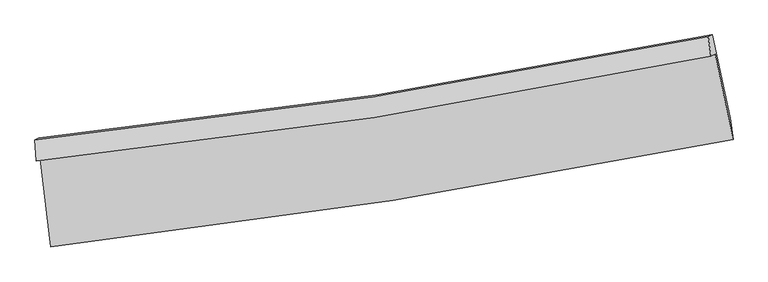
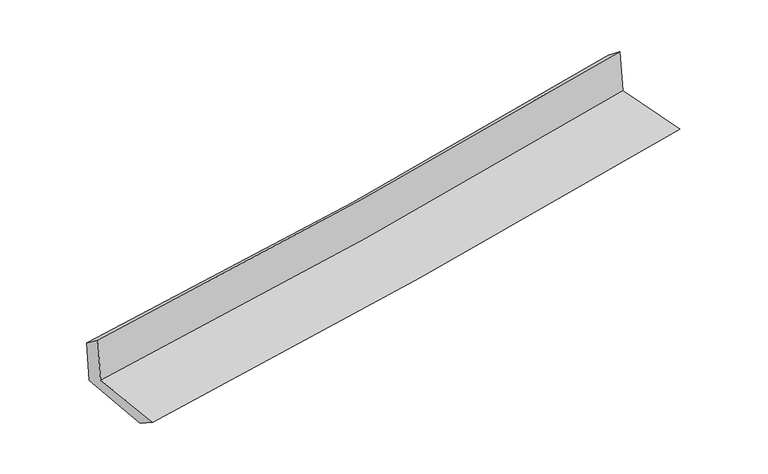
"""IFC4 building model written with IfcOpenShell, lengths in millimetres: proxy geometry."""

from ifc_helpers import new_model, si_unit, frame, origin, place, context, project, spatial, source, transform, mapped, element, save
from ifc_brep_helpers import plane_surface, spline_curve, spline_surface, advanced_brep


def generic_models_123decd0(model_context):
    return source(origin(), model_context, "Body", "AdvancedBrep", [
        advanced_brep(
        [(-2599.6821236, -1883.8802339, 1660.1813993), (-2518.6760004, -2554.7400356, 1640.6271106), (2683.5067499, -1734.2211287, 2104.3260638), (2546.5749115, -1082.589228, 2118.5548802), (-2632.1068834, -1899.3486486, 2056.5411772), (2514.398864, -1097.9389931, 2511.8744026), (-2641.181349, -1739.5716471, 1942.9560256), (2494.0119618, -950.1100576, 2396.3730377), (-2610.4799437, -1724.9253684, 1567.6625081), (2524.7432692, -935.4495139, 2020.7139973), (-2529.2840183, -2380.7054044, 1525.2815265), (2660.4957641, -1571.673677, 1983.9329765)],
        [
            (0, 1),
            (1, 2, spline_curve(3, [(-2518.6760004, -2554.7400356, 1640.6271106), (-1647.901325224, -2455.975360279, 1728.73329249), (-779.66482473, -2338.351314614, 1811.376698039), (954.411831671, -2064.96196197, 1965.976891238), (1820.236247829, -1909.079705151, 2037.899803296), (2683.5067499, -1734.2211287, 2104.3260638)], [4, 2, 4], [0.0, 8.614416918385693, 17.25550211247893])),
            (2, 3),
            (3, 0, spline_curve(3, [(2546.5749115, -1082.589228, 2118.5548802), (1693.449669926, -1260.442513375, 2052.84169472), (837.364937196, -1416.212528913, 1981.719931145), (-878.072313745, -1683.173433399, 1828.895438398), (-1737.406592384, -1794.500419945, 1747.226041524), (-2599.6821236, -1883.8802339, 1660.1813993)], [4, 2, 4], [0.0, 8.641085194093236, 17.25550211247893])),
            (4, 0),
            (3, 5),
            (5, 4, spline_curve(3, [(2514.398864, -1097.9389931, 2511.8744026), (1660.961036148, -1275.941399494, 2449.98226815), (804.699461313, -1431.795778243, 2381.022216282), (-910.819856827, -1698.795833962, 2229.200915234), (-1770.060197947, -1810.078006817, 2146.383225674), (-2632.1068834, -1899.3486486, 2056.5411772)], [4, 2, 4], [0.0, 8.593586958312411, 17.160652230844235])),
            (6, 4),
            (5, 7),
            (7, 6, spline_curve(3, [(2494.0119618, -950.1100576, 2396.3730377), (1643.201945051, -1125.61874198, 2323.635328675), (789.19786439, -1279.229434546, 2249.42104879), (-922.552924145, -1542.248342299, 2098.272944504), (-1780.279947004, -1651.791512841, 2021.348220751), (-2641.181349, -1739.5716471, 1942.9560256)], [4, 2, 4], [0.0, 8.582644534914202, 17.138801154755726])),
            (8, 6),
            (7, 9),
            (9, 8, spline_curve(3, [(2524.7432692, -935.4495139, 2020.7139973), (1673.666264136, -1111.085566395, 1951.239948273), (819.526396002, -1264.761037373, 1878.685530627), (-892.233551002, -1527.78431412, 1727.649383638), (-1749.834754049, -1637.267461767, 1649.18663805), (-2610.4799437, -1724.9253684, 1567.6625081)], [4, 2, 4], [0.0, 8.571762178700952, 17.117070027656684])),
            (10, 8),
            (9, 11),
            (11, 10, spline_curve(3, [(2660.4957641, -1571.673677, 1983.9329765), (1800.579144503, -1750.850843162, 1913.538790415), (937.465855762, -1907.928831623, 1840.056908156), (-792.48043927, -2177.469878894, 1687.154062481), (-1659.293744441, -2290.069132995, 1607.752127907), (-2529.2840183, -2380.7054044, 1525.2815265)], [4, 2, 4], [0.0, 8.618767433548486, 17.2109354688716])),
            (1, 10),
            (11, 2),
        ],
        [
            spline_surface(3, 3, [[(-2599.6821236, -1883.8802339, 1660.1813993), (-1737.406592436, -1794.500420002, 1747.226041381), (-878.072313664, -1683.173433516, 1828.895438339), (837.364937115, -1416.212528797, 1981.719931205), (1693.449670056, -1260.442513317, 2052.841694592), (2546.5749115, -1082.589228, 2118.5548802)], [(-2572.680082534, -2107.500167786, 1653.66330306), (-1707.571503344, -2014.992066743, 1741.061791703), (-845.269817354, -1901.566060596, 1823.055858267), (876.380568608, -1632.462339812, 1976.472251211), (1735.711862694, -1476.654910548, 2047.861064141), (2592.218857653, -1299.799861552, 2113.811941405)], [(-2545.678041466, -2331.120101714, 1647.14520684), (-1677.73641425, -2235.483713526, 1734.897542045), (-812.467321004, -2119.958687669, 1817.21627816), (915.396200142, -1848.71215082, 1971.224571183), (1777.974055274, -1692.867307825, 2042.880433674), (2637.862803747, -1517.010495148, 2109.069002595)], [(-2518.6760004, -2554.7400356, 1640.6271106), (-1647.901325158, -2455.975360268, 1728.733292367), (-779.664824694, -2338.351314749, 1811.376698088), (954.411831635, -2064.961961835, 1965.976891189), (1820.236247911, -1909.079705056, 2037.899803223), (2683.5067499, -1734.2211287, 2104.3260638)]], [4, 4], [4, 2, 4], [0.0, 2.168661317254368], [0.0, 8.614416918385693, 17.25550211247893]),
            spline_surface(3, 3, [[(-2632.1068834, -1899.3486486, 2056.5411772), (-1770.060197939, -1810.078006836, 2146.383225718), (-910.819856905, -1698.795833848, 2229.200915375), (804.699461391, -1431.795778357, 2381.022216141), (1660.961036172, -1275.941399516, 2449.982268262), (2514.398864, -1097.9389931, 2511.8744026)], [(-2621.298630127, -1894.192510365, 1924.421251258), (-1759.175662765, -1804.88547789, 2013.330830964), (-899.904009171, -1693.588367068, 2095.765756353), (815.587953286, -1426.601361834, 2247.921454486), (1671.790580808, -1270.775104116, 2317.602077029), (2525.124213174, -1092.822404733, 2380.767895124)], [(-2610.490376873, -1889.036372135, 1792.301325242), (-1748.291127611, -1799.692948948, 1880.278436136), (-888.988161399, -1688.380900296, 1962.33059736), (826.476445219, -1421.406945319, 2114.82069286), (1682.62012542, -1265.608808716, 2185.221885825), (2535.849562326, -1087.705816367, 2249.661387676)], [(-2599.6821236, -1883.8802339, 1660.1813993), (-1737.406592436, -1794.500420002, 1747.226041381), (-878.072313664, -1683.173433516, 1828.895438339), (837.364937115, -1416.212528797, 1981.719931205), (1693.449670056, -1260.442513317, 2052.841694592), (2546.5749115, -1082.589228, 2118.5548802)]], [4, 4], [4, 2, 4], [0.0, 1.317064347988333], [0.0, 8.567065272531824, 17.160652230844235]),
            spline_surface(3, 3, [[(-2641.181349, -1739.5716471, 1942.9560256), (-1780.279947013, -1651.791512846, 2021.348220725), (-922.552924049, -1542.248342312, 2098.272944632), (789.197864294, -1279.229434533, 2249.421048662), (1643.201944913, -1125.618741915, 2323.635328751), (2494.0119618, -950.1100576, 2396.3730377)], [(-2638.156527136, -1792.830647601, 1980.817742791), (-1776.87336399, -1704.55367751, 2063.026555714), (-918.641901638, -1594.430839486, 2141.915601546), (794.365063356, -1330.084882469, 2293.288104489), (1649.121641981, -1175.726294455, 2365.750975239), (2500.807595849, -999.38636944, 2434.873492651)], [(-2635.131705264, -1846.089648099, 2018.679460009), (-1773.466780961, -1757.315842171, 2104.704890729), (-914.730879316, -1646.613336674, 2185.55825846), (799.532262329, -1380.94033042, 2337.155160315), (1655.041339104, -1225.833846975, 2407.866621774), (2507.603229951, -1048.66268126, 2473.373947649)], [(-2632.1068834, -1899.3486486, 2056.5411772), (-1770.060197939, -1810.078006836, 2146.383225718), (-910.819856905, -1698.795833848, 2229.200915375), (804.699461391, -1431.795778357, 2381.022216141), (1660.961036172, -1275.941399516, 2449.982268262), (2514.398864, -1097.9389931, 2511.8744026)]], [4, 4], [4, 2, 4], [0.0, 0.6667630390520056], [0.0, 8.556156619841524, 17.138801154755726]),
            spline_surface(3, 3, [[(-2610.4799437, -1724.9253684, 1567.6625081), (-1749.83475398, -1637.267461654, 1649.186638135), (-892.233551066, -1527.784314262, 1727.649383571), (819.526396066, -1264.76103723, 1878.685530694), (1673.666264098, -1111.08556645, 1951.239948294), (2524.7432692, -935.4495139, 2020.7139973)], [(-2620.713745452, -1729.807461294, 1692.760347264), (-1759.983151643, -1642.108812045, 1773.240498995), (-902.340008738, -1532.605656944, 1851.190570604), (809.416885464, -1269.58383633, 2002.264036696), (1663.511491048, -1115.929958256, 2075.37174178), (2514.499500078, -940.336361784, 2145.933677434)], [(-2630.947547248, -1734.689554206, 1817.858186436), (-1770.131549349, -1646.950162454, 1897.294359864), (-912.446466377, -1537.426999631, 1974.7317576), (799.307374895, -1274.406635433, 2125.842542661), (1653.356717963, -1120.774350109, 2199.503535265), (2504.255730922, -945.223209716, 2271.153357566)], [(-2641.181349, -1739.5716471, 1942.9560256), (-1780.279947013, -1651.791512846, 2021.348220725), (-922.552924049, -1542.248342312, 2098.272944632), (789.197864294, -1279.229434533, 2249.421048662), (1643.201944913, -1125.618741915, 2323.635328751), (2494.0119618, -950.1100576, 2396.3730377)]], [4, 4], [4, 2, 4], [0.0, 1.2211261070133543], [0.0, 8.545307848955732, 17.117070027656684]),
            spline_surface(3, 3, [[(-2529.2840183, -2380.7054044, 1525.2815265), (-1659.293744447, -2290.069132861, 1607.752127877), (-792.48043922, -2177.469878851, 1687.154062389), (937.465855712, -1907.928831667, 1840.056908249), (1800.579144605, -1750.85084322, 1913.538790414), (2660.4957641, -1571.673677, 1983.9329765)], [(-2556.349326791, -2162.112059073, 1539.40852037), (-1689.474080982, -2072.468575798, 1621.563631299), (-825.73147652, -1960.908024001, 1700.652502773), (898.152702479, -1693.539566868, 1852.933115721), (1758.274851082, -1537.595750976, 1926.105843064), (2615.244932446, -1359.59895598, 1996.19331679)], [(-2583.414635209, -1943.518713727, 1553.53551423), (-1719.654417444, -1854.868018717, 1635.375134712), (-858.982513767, -1744.346169112, 1714.150943187), (858.839549299, -1479.150302029, 1865.809323222), (1715.97055762, -1324.340658694, 1938.672895644), (2569.994100854, -1147.52423492, 2008.45365701)], [(-2610.4799437, -1724.9253684, 1567.6625081), (-1749.83475398, -1637.267461654, 1649.186638135), (-892.233551066, -1527.784314262, 1727.649383571), (819.526396066, -1264.76103723, 1878.685530694), (1673.666264098, -1111.08556645, 1951.239948294), (2524.7432692, -935.4495139, 2020.7139973)]], [4, 4], [4, 2, 4], [0.0, 2.154572752307355], [0.0, 8.592168035323114, 17.2109354688716]),
            spline_surface(3, 3, [[(-2518.6760004, -2554.7400356, 1640.6271106), (-1647.901325158, -2455.975360268, 1728.733292367), (-779.664824694, -2338.351314749, 1811.376698088), (954.411831635, -2064.961961835, 1965.976891189), (1820.236247911, -1909.079705056, 2037.899803223), (2683.5067499, -1734.2211287, 2104.3260638)], [(-2522.21200636, -2496.728491881, 1602.178582557), (-1651.698798248, -2400.67328448, 1688.406237528), (-783.936696178, -2284.724169444, 1769.96915285), (948.763173019, -2012.617585106, 1924.003563538), (1813.683880142, -1856.336751122, 1996.446132283), (2675.8364213, -1680.038644811, 2064.195034696)], [(-2525.74801234, -2438.716948119, 1563.730054543), (-1655.496271357, -2345.371208649, 1648.079182716), (-788.208567736, -2231.097024157, 1728.561607626), (943.114514328, -1960.273208396, 1882.0302359), (1807.131512374, -1803.593797154, 1954.992461354), (2668.1660927, -1625.856160889, 2024.064005604)], [(-2529.2840183, -2380.7054044, 1525.2815265), (-1659.293744447, -2290.069132861, 1607.752127877), (-792.48043922, -2177.469878851, 1687.154062389), (937.465855712, -1907.928831667, 1840.056908249), (1800.579144605, -1750.85084322, 1913.538790414), (2660.4957641, -1571.673677, 1983.9329765)]], [4, 4], [4, 2, 4], [0.0, 0.6653770331781523], [0.0, 8.650411976579864, 17.327603661381524]),
            plane_surface(frame((2570.6219201, -1228.6637664, 2189.295893), z_axis=(0.9752392007867866, 0.2030185674062842, 0.08770383422091751), x_axis=(-0.08147240631914547, -0.0388668713341193, 0.9959174731478835))),
            plane_surface(frame((-2588.5683864, -2030.5285563, 1732.2082912), z_axis=(-0.989445963923741, -0.11698290111611452, -0.08550839328087403), x_axis=(-0.11982875900070654, 0.9923730987683795, 0.028925790519788306))),
        ],
        [
            (0, [[1, 2, 3, 4]]),
            (1, [[5, -4, 6, 7]]),
            (2, [[8, -7, 9, 10]]),
            (3, [[11, -10, 12, 13]]),
            (4, [[14, -13, 15, 16]]),
            (5, [[17, -16, 18, -2]]),
            (6, [[-12, -9, -6, -3, -18, -15]]),
            (7, [[-1, -5, -8, -11, -14, -17]]),
        ],
    ),
    ])


if __name__ == "__main__":
    model = new_model("IFC4")
    model_context = context("Model", 3, world=origin())
    ifc_project = project(units=[si_unit("LENGTHUNIT", "METRE", prefix="MILLI")], contexts=[model_context])
    site = spatial("IfcSite", under=ifc_project)
    building = spatial("IfcBuilding", under=site)
    placement = place(None, origin())
    generic_models_shape = generic_models_123decd0(model_context)
    element("IfcBuildingElementProxy", 1, Name="Generic Models", at=placement, inside=building, context=model_context, shape_type="MappedRepresentation", body=[
        mapped(generic_models_shape, transform((0.0, 0.0, 0.0), x_axis=(1.0, 0.0, 0.0), y_axis=(0.0, 1.0, 0.0), z_axis=(0.0, 0.0, 1.0))),
    ])
    save(model, "model.ifc")
